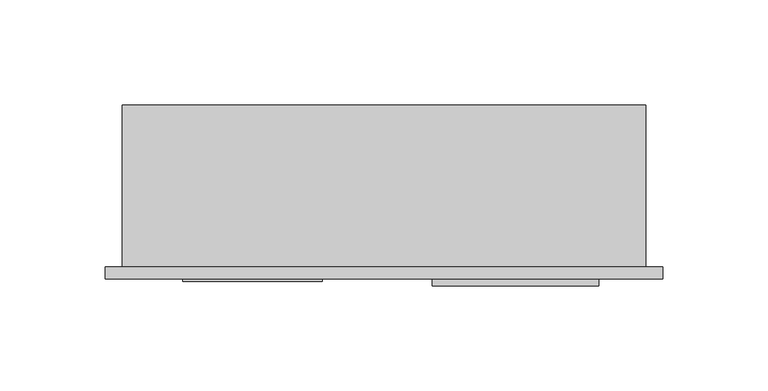
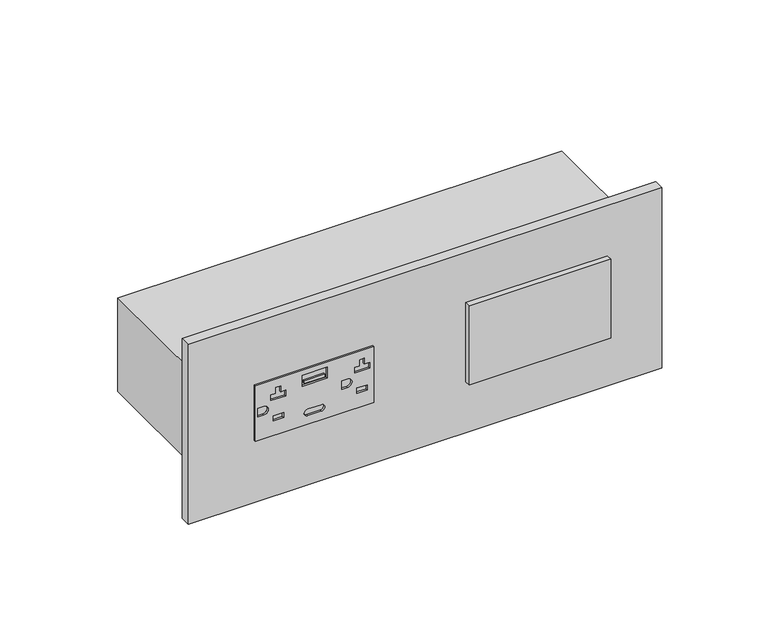
"""IFC4 building model written with IfcOpenShell, lengths in millimetres: proxy geometry."""

from ifc_helpers import new_model, si_unit, point, frame, frame_2d, origin, place, context, project, spatial, polyline, circle_curve, trimmed, segment, composite_curve, outline, extrude, source, transform, mapped, element, save


def electrical_fixtures_81150f9e(model_context):
    return source(origin(), model_context, "Body", "SweptSolid", [
        extrude(outline(polyline([(821.6131229, 28.6403983), (821.6131229, 95.1883983), (854.6077229, 95.1883983), (854.6077229, 28.6403983), (821.6131229, 28.6403983)]), holes=[polyline([(846.0827049, 40.1197211), (849.6102126, 40.1197211), (849.6102126, 42.8573384), (846.0827049, 42.8573384), (846.0827049, 45.7522735), (842.7521499, 45.7522735), (842.7521499, 37.4365232), (846.0827049, 37.4365232), (846.0827049, 40.1197211)]), composite_curve([segment(trimmed(circle_curve(frame_2d((838.1104229, 33.5112452)), 2.4638), [point((840.5742229, 33.5112452))], [point((835.6466229, 33.5112452))], True, "CARTESIAN"), True, "CONTINUOUS"), segment(polyline([(835.6466229, 33.5112452), (835.6466229, 30.1643983), (840.5742229, 30.1643983), (840.5742229, 33.5112452)]), True, "CONTINUOUS")], self_intersect=False), polyline([(833.2906533, 44.5059746), (830.3161837, 44.5059746), (830.3161837, 38.6828221), (833.2906533, 38.6828221), (833.2906533, 44.5059746)]), composite_curve([segment(trimmed(circle_curve(frame_2d((828.5727229, 65.6989983)), 1.905), [point((830.4777229, 65.6989983))], [point((826.6677229, 65.6989983))], True, "CARTESIAN"), True, "CONTINUOUS"), segment(polyline([(826.6677229, 65.6989983), (826.6677229, 58.1297983)]), True, "CONTINUOUS"), segment(trimmed(circle_curve(frame_2d((828.5727229, 58.1297983)), 1.905), [point((826.6677229, 58.1297983))], [point((830.4777229, 58.1297983))], True, "CARTESIAN"), True, "CONTINUOUS"), segment(polyline([(830.4777229, 58.1297983), (830.4777229, 65.6989983)]), True, "CONTINUOUS")], self_intersect=False), polyline([(851.6839163, 68.9581973), (845.1828612, 68.9581973), (845.1828612, 54.8644614), (851.6839163, 54.8644614), (851.6839163, 68.9581973)]), composite_curve([segment(trimmed(circle_curve(frame_2d((838.1104229, 80.4516358)), 2.4638), [point((840.5742229, 80.4516358))], [point((835.6466229, 80.4516358))], True, "CARTESIAN"), True, "CONTINUOUS"), segment(polyline([(835.6466229, 80.4516358), (835.6466229, 77.1543983), (840.5742229, 77.1543983), (840.5742229, 80.4516358)]), True, "CONTINUOUS")], self_intersect=False), polyline([(846.0795499, 87.1097211), (849.6102126, 87.1097211), (849.6102126, 89.8473384), (846.0795499, 89.8473384), (846.0795499, 92.7422735), (842.7521499, 92.7422735), (842.7521499, 84.4265232), (846.0795499, 84.4265232), (846.0795499, 87.1097211)]), polyline([(833.2717229, 91.4959746), (830.2973829, 91.4959746), (830.2973829, 85.6728221), (833.2717229, 85.6728221), (833.2717229, 91.4959746)])]), frame((0.0, -6.9294746, 0.0), z_axis=(0.0, 1.0, 0.0), x_axis=(0.0, 0.0, 1.0)), (0.0, 0.0, 1.0), 1.0366746),
        extrude(outline(polyline([(67.6331469, -6.9294746), (56.1895117, -6.9294746), (56.1895117, -5.8928), (67.6331469, -5.8928), (67.6331469, -6.9294746)])), frame((0.0, 0.0, 846.3926879), z_axis=(0.0, 0.0, 1.0), x_axis=(1.0, 0.0, 0.0)), (0.0, 0.0, 1.0), 1.5209293),
        extrude(outline(polyline([(147.3082675, -5.8928), (226.6832675, -5.8928), (226.6832675, -9.0678), (147.3082675, -9.0678), (147.3082675, -5.8928)])), frame((0.0, 0.0, 814.8854229), z_axis=(0.0, 0.0, 1.0), x_axis=(1.0, 0.0, 0.0)), (0.0, 0.0, 1.0), 46.863),
        extrude(outline(polyline([(-8.2450977, 0.0), (257.1652913, 0.0), (257.1652913, -5.8928), (-8.2450977, -5.8928), (-8.2450977, 0.0)])), frame((0.0, 0.0, 784.6718508), z_axis=(0.0, 0.0, 1.0), x_axis=(1.0, 0.0, 0.0)), (0.0, 0.0, 1.0), 106.8771443),
        extrude(outline(polyline([(248.92, 0.0), (0.0, 0.0), (0.0, 77.054), (248.92, 77.054), (248.92, 0.0)])), frame((0.0, 0.0, 810.3355229), z_axis=(0.0, 0.0, 1.0), x_axis=(1.0, 0.0, 0.0)), (0.0, 0.0, 1.0), 55.5498),
    ])


if __name__ == "__main__":
    model = new_model("IFC4")
    model_context = context("Model", 3, world=origin())
    ifc_project = project(units=[si_unit("LENGTHUNIT", "METRE", prefix="MILLI")], contexts=[model_context])
    site = spatial("IfcSite", under=ifc_project)
    building = spatial("IfcBuilding", under=site)
    placement = place(None, origin())
    electrical_fixtures_shape = electrical_fixtures_81150f9e(model_context)
    element("IfcBuildingElementProxy", 1, Name="Electrical Fixtures", at=placement, inside=building, context=model_context, shape_type="MappedRepresentation", body=[
        mapped(electrical_fixtures_shape, transform((0.0, 0.0, 0.0), x_axis=(1.0, 0.0, 0.0), y_axis=(0.0, 1.0, 0.0), z_axis=(0.0, 0.0, 1.0))),
    ])
    save(model, "model.ifc")
